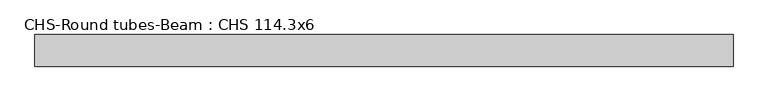
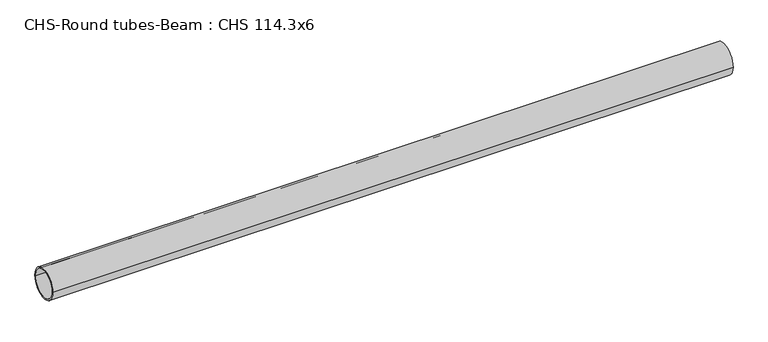
"""IFC4 building model written with IfcOpenShell, lengths in millimetres: beam geometry, CHS-Round tubes-Beam : CHS 114.3x6."""

from ifc_helpers import new_model, si_unit, point, frame, origin, origin_2d, place, context, project, spatial, circle_curve, trimmed, segment, composite_curve, outline, extrude, source, transform, mapped, element, save


def chs_round_tubes_beam_chs_114_3x6_e4cf98ff(model_context):
    return source(origin(), model_context, "Body", "SweptSolid", [
        extrude(outline(composite_curve([segment(trimmed(circle_curve(origin_2d(), 57.15), [point((57.15, 0.0))], [point((-57.15, 0.0))], False, "CARTESIAN"), True, "CONTINUOUS"), segment(trimmed(circle_curve(origin_2d(), 57.15), [point((-57.15, 0.0))], [point((57.15, 0.0))], False, "CARTESIAN"), True, "CONTINUOUS")], self_intersect=False), holes=[composite_curve([segment(trimmed(circle_curve(origin_2d(), 51.15), [point((51.15, 0.0))], [point((-51.15, 0.0))], True, "CARTESIAN"), True, "CONTINUOUS"), segment(trimmed(circle_curve(origin_2d(), 51.15), [point((-51.15, 0.0))], [point((51.15, 0.0))], True, "CARTESIAN"), True, "CONTINUOUS")], self_intersect=False)]), frame((-1249.8727029, 0.0, 0.0), z_axis=(1.0, 0.0, 0.0), x_axis=(0.0, 1.0, 0.0)), (0.0, 0.0, 1.0), 2521.0412184),
    ])


if __name__ == "__main__":
    model = new_model("IFC4")
    model_context = context("Model", 3, world=origin())
    ifc_project = project(units=[si_unit("LENGTHUNIT", "METRE", prefix="MILLI")], contexts=[model_context])
    site = spatial("IfcSite", under=ifc_project)
    building = spatial("IfcBuilding", under=site)
    placement = place(None, origin())
    chs_round_tubes_beam_chs_114_3x6_shape = chs_round_tubes_beam_chs_114_3x6_e4cf98ff(model_context)
    element("IfcBeam", 1, ObjectType="CHS-Round tubes-Beam : CHS 114.3x6", at=placement, inside=building, context=model_context, shape_type="MappedRepresentation", body=[
        mapped(chs_round_tubes_beam_chs_114_3x6_shape, transform((0.0, 0.0, 0.0), x_axis=(1.0, 0.0, 0.0), y_axis=(0.0, 1.0, 0.0), z_axis=(0.0, 0.0, 1.0))),
    ])
    save(model, "model.ifc")
